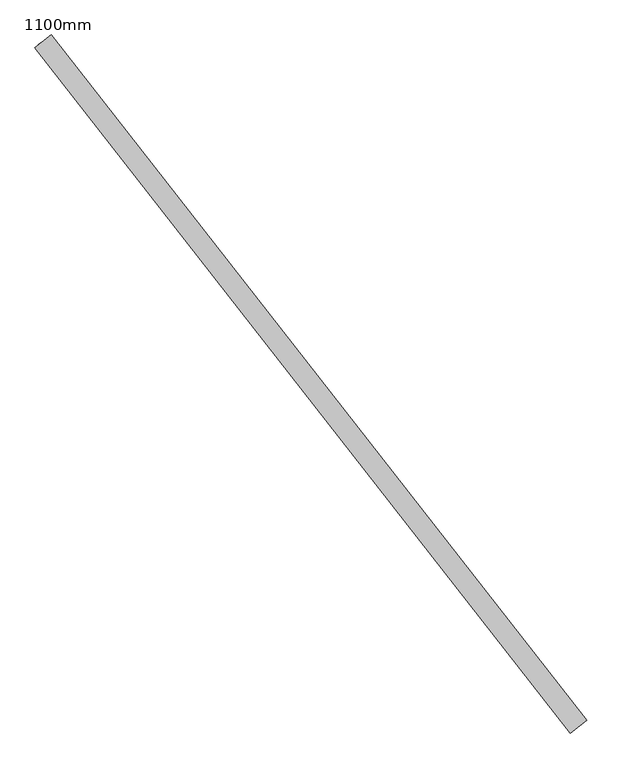
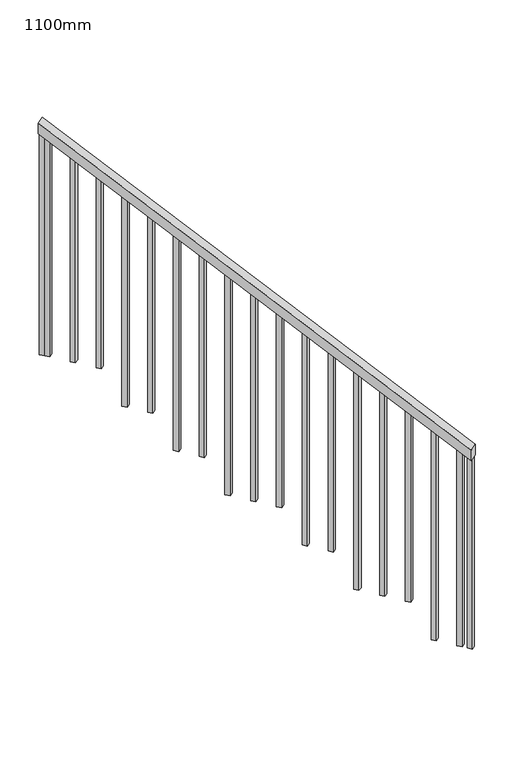
"""IFC4 building model written with IfcOpenShell, lengths in millimetres: railing geometry, 1100mm."""

from ifc_helpers import new_model, si_unit, frame, origin, place, context, project, spatial, polyline, outline, extrude, source, transform, mapped, element, save


def railing_1100mm_6070c133(model_context):
    return source(origin(), model_context, "Body", "SweptSolid", [
        extrude(outline(polyline([(-29.6296296, -50.0), (0.0, 0.0), (2441.0329731, -1e-07), (2411.4033434, -50.0000001), (-29.6296296, -50.0)])), frame((9231.6381451, -112222.8136754, 1277.7777778), z_axis=(0.7879297262938121, 0.6157651714919887, 0.0), x_axis=(-0.5297375637413662, 0.6778492726292753, 0.5098023903016977)), (0.0, 0.0, 1.0), 50.0),
        extrude(outline(polyline([(1297.4357229, -25.0), (107.4074074, -25.0), (92.5925926, 0.0), (1297.4357229, 0.0), (1297.4357229, -25.0)])), frame((7963.7745358, -110580.1624287, 2541.8801673), z_axis=(0.7879297262938122, 0.6157651714919887, 0.0), x_axis=(0.0, 0.0, -1.0)), (0.0, 0.0, 1.0), 25.0),
        extrude(outline(polyline([(1223.3616488, -25.0), (107.4074074, -25.0), (92.5925926, 0.0), (1223.3616488, 0.0), (1223.3616488, -25.0)])), frame((8040.7451822, -110678.6536444, 2467.8060932), z_axis=(0.7879297262938122, 0.6157651714919887, 0.0), x_axis=(0.0, 0.0, -1.0)), (0.0, 0.0, 1.0), 25.0),
        extrude(outline(polyline([(1149.2875748, -25.0), (107.4074074, -25.0), (92.5925926, 0.0), (1149.2875748, 0.0), (1149.2875748, -25.0)])), frame((8117.7158287, -110777.1448602, 2393.7320192), z_axis=(0.7879297262938122, 0.6157651714919887, 0.0), x_axis=(0.0, 0.0, -1.0)), (0.0, 0.0, 1.0), 25.0),
        extrude(outline(polyline([(1252.9912784, -25.0), (107.4074074, -25.0), (92.5925926, 0.0), (1252.9912784, 0.0), (1252.9912784, -25.0)])), frame((8194.6864751, -110875.636076, 2319.6579451), z_axis=(0.7879297262938122, 0.6157651714919887, 0.0), x_axis=(0.0, 0.0, -1.0)), (0.0, 0.0, 1.0), 25.0),
        extrude(outline(polyline([(1178.9172043, -25.0), (107.4074074, -25.0), (92.5925926, 0.0), (1178.9172043, 0.0), (1178.9172043, -25.0)])), frame((8271.6571215, -110974.1272918, 2245.583871), z_axis=(0.7879297262938122, 0.6157651714919887, 0.0), x_axis=(0.0, 0.0, -1.0)), (0.0, 0.0, 1.0), 25.0),
        extrude(outline(polyline([(1282.620908, -25.0), (107.4074074, -25.0), (92.5925926, 0.0), (1282.620908, 0.0), (1282.620908, -25.0)])), frame((8348.627768, -111072.6185076, 2171.5097969), z_axis=(0.7879297262938122, 0.6157651714919887, 0.0), x_axis=(0.0, 0.0, -1.0)), (0.0, 0.0, 1.0), 25.0),
        extrude(outline(polyline([(1208.546834, -25.0), (107.4074074, -25.0), (92.5925926, 0.0), (1208.546834, 0.0), (1208.546834, -25.0)])), frame((8425.5984144, -111171.1097234, 2097.4357229), z_axis=(0.7879297262938122, 0.6157651714919887, 0.0), x_axis=(0.0, 0.0, -1.0)), (0.0, 0.0, 1.0), 25.0),
        extrude(outline(polyline([(1312.2505377, -24.9999999), (107.4074074, -24.9999999), (92.5925926, 0.0), (1312.2505377, 0.0), (1312.2505377, -24.9999999)])), frame((8502.5690609, -111269.6009392, 2023.3616488), z_axis=(0.7879297262938122, 0.6157651714919887, 0.0), x_axis=(0.0, 0.0, -1.0)), (0.0, 0.0, 1.0), 25.0),
        extrude(outline(polyline([(1238.1764636, -25.0), (107.4074074, -25.0), (92.5925926, 0.0), (1238.1764636, 0.0), (1238.1764636, -25.0)])), frame((8579.5397073, -111368.0921549, 1949.2875747), z_axis=(0.7879297262938122, 0.6157651714919887, 0.0), x_axis=(0.0, 0.0, -1.0)), (0.0, 0.0, 1.0), 25.0),
        extrude(outline(polyline([(1164.1023895, -25.0), (107.4074074, -25.0), (92.5925926, 0.0), (1164.1023895, 0.0), (1164.1023895, -25.0)])), frame((8656.5103537, -111466.5833707, 1875.2135006), z_axis=(0.7879297262938122, 0.6157651714919887, 0.0), x_axis=(0.0, 0.0, -1.0)), (0.0, 0.0, 1.0), 25.0),
        extrude(outline(polyline([(1267.8060933, -25.0), (107.4074074, -25.0), (92.5925926, 0.0), (1267.8060933, 0.0), (1267.8060933, -25.0)])), frame((8733.4810002, -111565.0745865, 1801.1394266), z_axis=(0.7879297262938122, 0.6157651714919887, 0.0), x_axis=(0.0, 0.0, -1.0)), (0.0, 0.0, 1.0), 25.0),
        extrude(outline(polyline([(1193.7320192, -25.0), (107.4074074, -25.0), (92.5925926, 0.0), (1193.7320192, 0.0), (1193.7320192, -25.0)])), frame((8810.4516466, -111663.5658023, 1727.0653525), z_axis=(0.7879297262938122, 0.6157651714919887, 0.0), x_axis=(0.0, 0.0, -1.0)), (0.0, 0.0, 1.0), 25.0),
        extrude(outline(polyline([(1297.4357228, -25.0), (107.4074074, -25.0), (92.5925926, 0.0), (1297.4357228, 0.0), (1297.4357228, -25.0)])), frame((8887.422293, -111762.0570181, 1652.9912784), z_axis=(0.7879297262938122, 0.6157651714919887, 0.0), x_axis=(0.0, 0.0, -1.0)), (0.0, 0.0, 1.0), 25.0),
        extrude(outline(polyline([(1223.3616487, -25.0), (107.4074074, -25.0), (92.5925925, 0.0), (1223.3616487, 0.0), (1223.3616487, -25.0)])), frame((8964.3929395, -111860.5482339, 1578.9172043), z_axis=(0.7879297262938122, 0.6157651714919887, 0.0), x_axis=(0.0, 0.0, -1.0)), (0.0, 0.0, 1.0), 25.0),
        extrude(outline(polyline([(1149.2875747, -25.0), (107.4074074, -25.0), (92.5925926, 0.0), (1149.2875747, 0.0), (1149.2875747, -25.0)])), frame((9041.3635859, -111959.0394497, 1504.8431303), z_axis=(0.7879297262938122, 0.6157651714919887, 0.0), x_axis=(0.0, 0.0, -1.0)), (0.0, 0.0, 1.0), 25.0),
        extrude(outline(polyline([(1252.9912784, -25.0), (107.4074074, -25.0), (92.5925926, 0.0), (1252.9912784, 0.0), (1252.9912784, -25.0)])), frame((9118.3342323, -112057.5306655, 1430.7690562), z_axis=(0.7879297262938122, 0.6157651714919887, 0.0), x_axis=(0.0, 0.0, -1.0)), (0.0, 0.0, 1.0), 25.0),
        extrude(outline(polyline([(1178.9172043, -25.0), (107.4074074, -25.0), (92.5925926, 0.0), (1178.9172043, 0.0), (1178.9172043, -25.0)])), frame((9195.3048788, -112156.0218812, 1356.6949821), z_axis=(0.7879297262938122, 0.6157651714919887, 0.0), x_axis=(0.0, 0.0, -1.0)), (0.0, 0.0, 1.0), 25.0),
        extrude(outline(polyline([(1312.2505377, -25.0), (107.4074074, -25.0), (92.5925926, 0.0), (1312.2505377, 0.0), (1312.2505377, -25.0)])), frame((7948.3804065, -110560.4641855, 2556.6949821), z_axis=(0.7879297262938122, 0.6157651714919887, 0.0), x_axis=(0.0, 0.0, -1.0)), (0.0, 0.0, 1.0), 25.0),
        extrude(outline(polyline([(1149.2875747, -24.9999999), (107.4074074, -24.9999999), (92.5925926, 0.0), (1149.2875747, 0.0), (1149.2875747, -24.9999999)])), frame((9226.0931374, -112195.4183676, 1327.0653525), z_axis=(0.7879297262938122, 0.6157651714919887, 0.0), x_axis=(0.0, 0.0, -1.0)), (0.0, 0.0, 1.0), 25.0),
    ])


if __name__ == "__main__":
    model = new_model("IFC4")
    model_context = context("Model", 3, world=origin())
    ifc_project = project(units=[si_unit("LENGTHUNIT", "METRE", prefix="MILLI")], contexts=[model_context])
    site = spatial("IfcSite", under=ifc_project)
    building = spatial("IfcBuilding", under=site)
    placement = place(None, origin())
    railing_1100mm_shape = railing_1100mm_6070c133(model_context)
    element("IfcRailing", 1, ObjectType="1100mm", at=placement, inside=building, context=model_context, shape_type="MappedRepresentation", body=[
        mapped(railing_1100mm_shape, transform((0.0, 0.0, 0.0), x_axis=(1.0, 0.0, 0.0), y_axis=(0.0, 1.0, 0.0), z_axis=(0.0, 0.0, 1.0))),
    ])
    save(model, "model.ifc")
